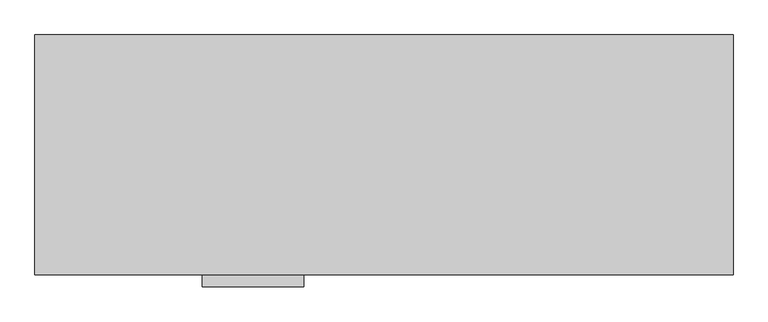
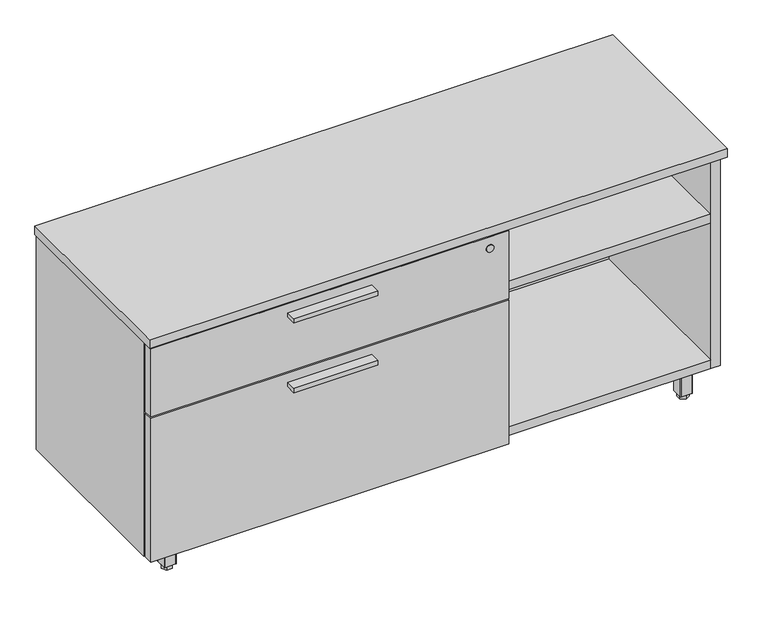
"""IFC4 building model written with IfcOpenShell, lengths in millimetres: furniture geometry."""

import ifcopenshell
import ifcopenshell.guid

model = None  # the IFC model being written
_history = None  # IfcOwnerHistory: only IFC2X3 demands one
_inside = {}  # id of a spatial element -> (the spatial element, [elements in it])
_under = {}  # id of a project, library or spatial element -> (it, [spatial elements below it])
_declared = {}  # id of a project -> (the project, [libraries it declares])
_typed = {}  # id of a type object -> (the type object, [elements of that type])
_made_of = {}  # id of a material, layer set ... -> (it, [elements and type objects made of it])


def new_model(schema):
    """Start an empty IFC model of exactly this schema.

    Asked for "IFC4X3", IfcOpenShell would pick the latest addendum, in which some entities
    have other attributes; the version numbers below select the first issue.
    IFC2X3 requires an IfcOwnerHistory on every rooted entity: one is made here for all.
    """
    global model, _history
    if schema == "IFC4X3":
        model = ifcopenshell.file(schema_version=(4, 3, 0, 0))
    else:
        model = ifcopenshell.file(schema=schema)
    _inside.clear()
    _under.clear()
    _declared.clear()
    _typed.clear()
    _made_of.clear()
    _history = None
    if model.schema == "IFC2X3":
        org = make("IfcOrganization", Name="unknown")
        user = make(
            "IfcPersonAndOrganization",
            ThePerson=make("IfcPerson", FamilyName="unknown"),
            TheOrganization=org,
        )
        app = make(
            "IfcApplication",
            ApplicationDeveloper=org,
            Version="unknown",
            ApplicationFullName="unknown",
            ApplicationIdentifier="unknown",
        )
        _history = make(
            "IfcOwnerHistory",
            OwningUser=user,
            OwningApplication=app,
            ChangeAction="ADDED",
            CreationDate=0,
        )
    return model


def make(cls, **values):
    """One entity of the class cls with the attributes given. An attribute that is None is left unset."""
    return model.create_entity(
        cls, **{name: value for name, value in values.items() if value is not None}
    )


def rooted(cls, **values):
    """An entity with a GlobalId (a new one), such as an element, a storey or a relation."""
    return make(cls, GlobalId=ifcopenshell.guid.new(), OwnerHistory=_history, **values)


def si_unit(unit_type, name, prefix=None):
    """IfcSIUnit, for example si_unit("LENGTHUNIT", "METRE", prefix="MILLI")."""
    return make("IfcSIUnit", UnitType=unit_type, Prefix=prefix, Name=name)


def assignment(units):
    """IfcUnitAssignment: the units of a project."""
    return None if units is None else make("IfcUnitAssignment", Units=units)


def point(xyz):
    """IfcCartesianPoint."""
    return None if xyz is None else make("IfcCartesianPoint", Coordinates=xyz)


def direction(xyz):
    """IfcDirection."""
    return None if xyz is None else make("IfcDirection", DirectionRatios=xyz)


def frame(location, z_axis=None, x_axis=None):
    """IfcAxis2Placement3D, a coordinate frame: its origin and axes. An axis left out is left unset."""
    return make(
        "IfcAxis2Placement3D",
        Location=point(location),
        Axis=direction(z_axis),
        RefDirection=direction(x_axis),
    )


def frame_2d(location, x_axis=None):
    """IfcAxis2Placement2D, a coordinate frame in the plane: its origin and x axis."""
    return make(
        "IfcAxis2Placement2D", Location=point(location), RefDirection=direction(x_axis)
    )


def origin():
    """The frame at (0, 0, 0) with its axes left unset."""
    return frame((0.0, 0.0, 0.0))


def origin_with_axes():
    """The frame at (0, 0, 0) with the z axis (0, 0, 1) and the x axis (1, 0, 0) written out."""
    return frame((0.0, 0.0, 0.0), z_axis=(0.0, 0.0, 1.0), x_axis=(1.0, 0.0, 0.0))


def place(relative_to, where):
    """IfcLocalPlacement: puts the frame where relative to a parent placement (None: the world)."""
    return make(
        "IfcLocalPlacement", PlacementRelTo=relative_to, RelativePlacement=where
    )


def context(
    kind, dimensions, precision=None, world=None, true_north=None, identifier=None
):
    """IfcGeometricRepresentationContext, for example the 3D "Model" context."""
    return make(
        "IfcGeometricRepresentationContext",
        ContextIdentifier=identifier,
        ContextType=kind,
        CoordinateSpaceDimension=dimensions,
        Precision=precision,
        WorldCoordinateSystem=world,
        TrueNorth=true_north,
    )


def project(units=None, contexts=None):
    """IfcProject with its units and contexts."""
    return rooted(
        "IfcProject",
        Name="project",
        RepresentationContexts=contexts,
        UnitsInContext=assignment(units),
    )


def spatial(cls, under=None, at=None, **own):
    """A site, building, storey or space (cls), placed at a placement, below another one or the project."""
    s = rooted(cls, ObjectPlacement=at, **own)
    if under is not None:
        _under.setdefault(under.id(), (under, []))[1].append(s)
    return s


def polyline(points):
    """IfcPolyline through the points."""
    return make("IfcPolyline", Points=[point(p) for p in points])


def circle_curve(where, radius):
    """IfcCircle in the frame where."""
    return make("IfcCircle", Position=where, Radius=radius)


def trimmed(basis, trim1, trim2, sense, master):
    """IfcTrimmedCurve: the piece of a basis curve between two trims."""
    return make(
        "IfcTrimmedCurve",
        BasisCurve=basis,
        Trim1=trim1,
        Trim2=trim2,
        SenseAgreement=sense,
        MasterRepresentation=master,
    )


def segment(curve, same_sense, transition):
    """IfcCompositeCurveSegment."""
    return make(
        "IfcCompositeCurveSegment",
        Transition=transition,
        SameSense=same_sense,
        ParentCurve=curve,
    )


def composite_curve(segments, self_intersect=None):
    """IfcCompositeCurve: segments joined end to end."""
    return make("IfcCompositeCurve", Segments=segments, SelfIntersect=self_intersect)


def outline(outer, holes=None, kind="AREA"):
    """IfcArbitraryClosedProfileDef: a profile drawn as a closed curve; with holes, ...WithVoids."""
    if holes is None:
        return make("IfcArbitraryClosedProfileDef", ProfileType=kind, OuterCurve=outer)
    return make(
        "IfcArbitraryProfileDefWithVoids",
        ProfileType=kind,
        OuterCurve=outer,
        InnerCurves=holes,
    )


def extrude(swept, where, along, depth):
    """IfcExtrudedAreaSolid: the profile swept, set in the frame where, extruded along a direction by depth."""
    return make(
        "IfcExtrudedAreaSolid",
        SweptArea=swept,
        Position=where,
        ExtrudedDirection=direction(along),
        Depth=depth,
    )


def shape(context_of_items, identifier, shape_type, items):
    """IfcShapeRepresentation: the items that make up one representation, for example the "Body"."""
    return make(
        "IfcShapeRepresentation",
        ContextOfItems=context_of_items,
        RepresentationIdentifier=identifier,
        RepresentationType=shape_type,
        Items=items,
    )


def source(mapping_origin, context_of_items, identifier, shape_type, items):
    """IfcRepresentationMap: a shape defined once, which mapped items show again and again."""
    return make(
        "IfcRepresentationMap",
        MappingOrigin=mapping_origin,
        MappedRepresentation=shape(context_of_items, identifier, shape_type, items),
    )


def transform(
    local_origin,
    x_axis=None,
    y_axis=None,
    z_axis=None,
    scale=None,
    scale2=None,
    scale3=None,
    uniform=True,
):
    """IfcCartesianTransformationOperator3D, or its non-uniform kind. x_axis, y_axis, z_axis: its Axis1, 2, 3."""
    if uniform:
        return make(
            "IfcCartesianTransformationOperator3D",
            Axis1=direction(x_axis),
            Axis2=direction(y_axis),
            LocalOrigin=point(local_origin),
            Scale=scale,
            Axis3=direction(z_axis),
        )
    return make(
        "IfcCartesianTransformationOperator3DnonUniform",
        Axis1=direction(x_axis),
        Axis2=direction(y_axis),
        LocalOrigin=point(local_origin),
        Scale=scale,
        Axis3=direction(z_axis),
        Scale2=scale2,
        Scale3=scale3,
    )


def mapped(mapping_source, mapping_target):
    """IfcMappedItem: shows the shape of a source again, moved by a transform."""
    return make(
        "IfcMappedItem", MappingSource=mapping_source, MappingTarget=mapping_target
    )


def made_of(thing, what):
    """Note that an element or type object is made of a material, layer set ...; save() writes the relation."""
    if what is not None:
        _made_of.setdefault(what.id(), (what, []))[1].append(thing)
    return thing


def element(
    cls,
    number,
    at=None,
    inside=None,
    cuts=None,
    type_object=None,
    material=None,
    context=None,
    identifier="Body",
    shape_type=None,
    held_by="IfcProductDefinitionShape",
    body=None,
    shapes=None,
    **own,
):
    """One element of the class cls, such as IfcWall. Its Tag is "e" and its number.

    at: its placement. inside: the storey or other place that contains it. cuts: it is an
    opening in that element (IfcRelVoidsElement). A single representation is given by context,
    identifier, shape_type and body (its items); several are given by shapes. held_by: the class
    of the entity that holds the representations. save() writes the other relations.
    """
    e = rooted(cls, Tag="e%d" % number, ObjectPlacement=at, **own)
    if body is not None:
        shapes = [shape(context, identifier, shape_type, body)]
    if shapes is not None:
        e.Representation = make(held_by, Representations=shapes)
    if inside is not None:
        _inside.setdefault(inside.id(), (inside, []))[1].append(e)
    if cuts is not None:
        rooted(
            "IfcRelVoidsElement", RelatingBuildingElement=cuts, RelatedOpeningElement=e
        )
    if type_object is not None:
        _typed.setdefault(type_object.id(), (type_object, []))[1].append(e)
    return made_of(e, material)


def aggregate(whole, parts):
    """IfcRelAggregates: a whole, such as a stair, and the parts it consists of."""
    return rooted("IfcRelAggregates", RelatingObject=whole, RelatedObjects=parts)


def save(model, path):
    """Write the relations noted so far, then the file.

    IfcRelAggregates (storeys below a building ...), IfcRelContainedInSpatialStructure (elements
    in a storey), IfcRelDefinesByType, IfcRelAssociatesMaterial and IfcRelDeclares: one each for
    every whole, place, type object, material and project.
    """
    for whole, parts in _under.values():
        aggregate(whole, parts)
    for where, things in _inside.values():
        rooted(
            "IfcRelContainedInSpatialStructure",
            RelatedElements=things,
            RelatingStructure=where,
        )
    for kind, things in _typed.values():
        rooted("IfcRelDefinesByType", RelatedObjects=things, RelatingType=kind)
    for what, things in _made_of.values():
        rooted("IfcRelAssociatesMaterial", RelatedObjects=things, RelatingMaterial=what)
    for by, libraries in _declared.values():
        rooted("IfcRelDeclares", RelatingContext=by, RelatedDefinitions=libraries)
    model.write(path)


def furniture_c7057749(model_context):
    return source(origin(), model_context, "Body", "SweptSolid", [
        extrude(outline(polyline([(469.8365, -447.8158592), (292.0365, -447.8158592), (292.0365, -425.5908592), (469.8365, -425.5908592), (469.8365, -447.8158592)])), frame((0.0, 0.0, 351.0330729), z_axis=(0.0, 0.0, 1.0), x_axis=(1.0, 0.0, 0.0)), (0.0, 0.0, 1.0), 9.525),
        extrude(outline(polyline([(469.8365, -447.8158592), (292.0365, -447.8158592), (292.0365, -425.5908592), (469.8365, -425.5908592), (469.8365, -447.8158592)])), frame((0.0, 0.0, 506.1508939), z_axis=(0.0, 0.0, 1.0), x_axis=(1.0, 0.0, 0.0)), (0.0, 0.0, 1.0), 9.525),
        extrude(outline(polyline([(70.8025, -367.813183), (76.5175, -377.7118534), (70.8025, -387.6105237), (59.3725, -387.6105237), (53.6575, -377.7118534), (59.3725, -367.813183), (70.8025, -367.813183)])), origin_with_axes(), (0.0, 0.0, 1.0), 9.144),
        extrude(outline(composite_curve([segment(trimmed(circle_curve(frame_2d((65.0875, -377.7118534)), 4.445), [point((69.5325, -377.7118534))], [point((60.6425, -377.7118534))], False, "CARTESIAN"), True, "CONTINUOUS"), segment(trimmed(circle_curve(frame_2d((65.0875, -377.7118534)), 4.445), [point((60.6425, -377.7118534))], [point((69.5325, -377.7118534))], False, "CARTESIAN"), True, "CONTINUOUS")], self_intersect=False)), frame((0.0, 0.0, 7.112), z_axis=(0.0, 0.0, 1.0), x_axis=(1.0, 0.0, 0.0)), (0.0, 0.0, 1.0), 2.032),
        extrude(outline(composite_curve([segment(trimmed(circle_curve(frame_2d((11.1125, -393.5868534)), 3.175), [point((11.1125, -396.7618534))], [point((7.9375, -393.5868534))], False, "CARTESIAN"), True, "CONTINUOUS"), segment(polyline([(7.9375, -393.5868534), (7.9375, -323.7368534)]), True, "CONTINUOUS"), segment(trimmed(circle_curve(frame_2d((11.1125, -323.7368534)), 3.175), [point((7.9375, -323.7368534))], [point((11.1125, -320.5618534))], False, "CARTESIAN"), True, "CONTINUOUS"), segment(polyline([(11.1125, -320.5618534), (80.9625, -320.5618534)]), True, "CONTINUOUS"), segment(trimmed(circle_curve(frame_2d((80.9625, -323.7368534)), 3.175), [point((80.9625, -320.5618534))], [point((84.1375, -323.7368534))], False, "CARTESIAN"), True, "CONTINUOUS"), segment(polyline([(84.1375, -323.7368534), (84.1375, -393.5868534)]), True, "CONTINUOUS"), segment(trimmed(circle_curve(frame_2d((80.9625, -393.5868534)), 3.175), [point((84.1375, -393.5868534))], [point((80.9625, -396.7618534))], False, "CARTESIAN"), True, "CONTINUOUS"), segment(polyline([(80.9625, -396.7618534), (11.1125, -396.7618534)]), True, "CONTINUOUS")], self_intersect=False)), frame((0.0, 0.0, 58.3692), z_axis=(0.0, 0.0, 1.0), x_axis=(1.0, 0.0, 0.0)), (0.0, 0.0, 1.0), 1.89738),
        extrude(outline(composite_curve([segment(polyline([(76.5175, -390.4118534), (53.6575, -390.4118534)]), True, "CONTINUOUS"), segment(trimmed(circle_curve(frame_2d((53.6575, -389.1418534)), 1.27), [point((53.6575, -390.4118534))], [point((52.3875, -389.1418534))], False, "CARTESIAN"), True, "CONTINUOUS"), segment(polyline([(52.3875, -389.1418534), (52.3875, -366.2818534)]), True, "CONTINUOUS"), segment(trimmed(circle_curve(frame_2d((53.6575, -366.2818534)), 1.27), [point((52.3875, -366.2818534))], [point((53.6575, -365.0118534))], False, "CARTESIAN"), True, "CONTINUOUS"), segment(polyline([(53.6575, -365.0118534), (76.5175, -365.0118534)]), True, "CONTINUOUS"), segment(trimmed(circle_curve(frame_2d((76.5175, -366.2818534)), 1.27), [point((76.5175, -365.0118534))], [point((77.7875, -366.2818534))], False, "CARTESIAN"), True, "CONTINUOUS"), segment(polyline([(77.7875, -366.2818534), (77.7875, -389.1418534)]), True, "CONTINUOUS"), segment(trimmed(circle_curve(frame_2d((76.5175, -389.1418534)), 1.27), [point((77.7875, -389.1418534))], [point((76.5175, -390.4118534))], False, "CARTESIAN"), True, "CONTINUOUS")], self_intersect=False)), frame((0.0, 0.0, 9.144), z_axis=(0.0, 0.0, 1.0), x_axis=(1.0, 0.0, 0.0)), (0.0, 0.0, 1.0), 49.2252),
        extrude(outline(polyline([(55.1888296, -42.0508713), (65.0875, -36.3358713), (74.9861704, -42.0508713), (74.9861704, -53.4808713), (65.0875, -59.1958713), (55.1888296, -53.4808713), (55.1888296, -42.0508713)])), origin_with_axes(), (0.0, 0.0, 1.0), 9.144),
        extrude(outline(composite_curve([segment(trimmed(circle_curve(frame_2d((65.0875, -47.7658713)), 4.445), [point((65.0875, -43.3208713))], [point((65.0875, -52.2108713))], False, "CARTESIAN"), True, "CONTINUOUS"), segment(trimmed(circle_curve(frame_2d((65.0875, -47.7658713)), 4.445), [point((65.0875, -52.2108713))], [point((65.0875, -43.3208713))], False, "CARTESIAN"), True, "CONTINUOUS")], self_intersect=False)), frame((0.0, 0.0, 7.112), z_axis=(0.0, 0.0, 1.0), x_axis=(1.0, 0.0, 0.0)), (0.0, 0.0, 1.0), 2.032),
        extrude(outline(composite_curve([segment(trimmed(circle_curve(frame_2d((80.9625, -101.7408713)), 3.175), [point((84.1375, -101.7408713))], [point((80.9625, -104.9158713))], False, "CARTESIAN"), True, "CONTINUOUS"), segment(polyline([(80.9625, -104.9158713), (11.1125, -104.9158713)]), True, "CONTINUOUS"), segment(trimmed(circle_curve(frame_2d((11.1125, -101.7408713)), 3.175), [point((11.1125, -104.9158713))], [point((7.9375, -101.7408713))], False, "CARTESIAN"), True, "CONTINUOUS"), segment(polyline([(7.9375, -101.7408713), (7.9375, -31.8908713)]), True, "CONTINUOUS"), segment(trimmed(circle_curve(frame_2d((11.1125, -31.8908713)), 3.175), [point((7.9375, -31.8908713))], [point((11.1125, -28.7158713))], False, "CARTESIAN"), True, "CONTINUOUS"), segment(polyline([(11.1125, -28.7158713), (80.9625, -28.7158713)]), True, "CONTINUOUS"), segment(trimmed(circle_curve(frame_2d((80.9625, -31.8908713)), 3.175), [point((80.9625, -28.7158713))], [point((84.1375, -31.8908713))], False, "CARTESIAN"), True, "CONTINUOUS"), segment(polyline([(84.1375, -31.8908713), (84.1375, -101.7408713)]), True, "CONTINUOUS")], self_intersect=False)), frame((0.0, 0.0, 58.3692), z_axis=(0.0, 0.0, 1.0), x_axis=(1.0, 0.0, 0.0)), (0.0, 0.0, 1.0), 1.89738),
        extrude(outline(composite_curve([segment(polyline([(77.7875, -36.3358713), (77.7875, -59.1958713)]), True, "CONTINUOUS"), segment(trimmed(circle_curve(frame_2d((76.5175, -59.1958713)), 1.27), [point((77.7875, -59.1958713))], [point((76.5175, -60.4658713))], False, "CARTESIAN"), True, "CONTINUOUS"), segment(polyline([(76.5175, -60.4658713), (53.6575, -60.4658713)]), True, "CONTINUOUS"), segment(trimmed(circle_curve(frame_2d((53.6575, -59.1958713)), 1.27), [point((53.6575, -60.4658713))], [point((52.3875, -59.1958713))], False, "CARTESIAN"), True, "CONTINUOUS"), segment(polyline([(52.3875, -59.1958713), (52.3875, -36.3358713)]), True, "CONTINUOUS"), segment(trimmed(circle_curve(frame_2d((53.6575, -36.3358713)), 1.27), [point((52.3875, -36.3358713))], [point((53.6575, -35.0658713))], False, "CARTESIAN"), True, "CONTINUOUS"), segment(polyline([(53.6575, -35.0658713), (76.5175, -35.0658713)]), True, "CONTINUOUS"), segment(trimmed(circle_curve(frame_2d((76.5175, -36.3358713)), 1.27), [point((76.5175, -35.0658713))], [point((77.7875, -36.3358713))], False, "CARTESIAN"), True, "CONTINUOUS")], self_intersect=False)), frame((0.0, 0.0, 9.144), z_axis=(0.0, 0.0, 1.0), x_axis=(1.0, 0.0, 0.0)), (0.0, 0.0, 1.0), 49.2252),
        extrude(outline(polyline([(1148.3975, -57.6645417), (1142.6825, -47.7658713), (1148.3975, -37.8672009), (1159.8275, -37.8672009), (1165.5425, -47.7658713), (1159.8275, -57.6645417), (1148.3975, -57.6645417)])), origin_with_axes(), (0.0, 0.0, 1.0), 9.144),
        extrude(outline(composite_curve([segment(trimmed(circle_curve(frame_2d((1154.1125, -47.7658713)), 4.445), [point((1149.6675, -47.7658713))], [point((1158.5575, -47.7658713))], False, "CARTESIAN"), True, "CONTINUOUS"), segment(trimmed(circle_curve(frame_2d((1154.1125, -47.7658713)), 4.445), [point((1158.5575, -47.7658713))], [point((1149.6675, -47.7658713))], False, "CARTESIAN"), True, "CONTINUOUS")], self_intersect=False)), frame((0.0, 0.0, 7.112), z_axis=(0.0, 0.0, 1.0), x_axis=(1.0, 0.0, 0.0)), (0.0, 0.0, 1.0), 2.032),
        extrude(outline(composite_curve([segment(trimmed(circle_curve(frame_2d((1208.0875, -31.8908713)), 3.175), [point((1208.0875, -28.7158713))], [point((1211.2625, -31.8908713))], False, "CARTESIAN"), True, "CONTINUOUS"), segment(polyline([(1211.2625, -31.8908713), (1211.2625, -101.7408713)]), True, "CONTINUOUS"), segment(trimmed(circle_curve(frame_2d((1208.0875, -101.7408713)), 3.175), [point((1211.2625, -101.7408713))], [point((1208.0875, -104.9158713))], False, "CARTESIAN"), True, "CONTINUOUS"), segment(polyline([(1208.0875, -104.9158713), (1138.2375, -104.9158713)]), True, "CONTINUOUS"), segment(trimmed(circle_curve(frame_2d((1138.2375, -101.7408713)), 3.175), [point((1138.2375, -104.9158713))], [point((1135.0625, -101.7408713))], False, "CARTESIAN"), True, "CONTINUOUS"), segment(polyline([(1135.0625, -101.7408713), (1135.0625, -31.8908713)]), True, "CONTINUOUS"), segment(trimmed(circle_curve(frame_2d((1138.2375, -31.8908713)), 3.175), [point((1135.0625, -31.8908713))], [point((1138.2375, -28.7158713))], False, "CARTESIAN"), True, "CONTINUOUS"), segment(polyline([(1138.2375, -28.7158713), (1208.0875, -28.7158713)]), True, "CONTINUOUS")], self_intersect=False)), frame((0.0, 0.0, 58.3692), z_axis=(0.0, 0.0, 1.0), x_axis=(1.0, 0.0, 0.0)), (0.0, 0.0, 1.0), 1.89738),
        extrude(outline(composite_curve([segment(polyline([(1142.6825, -35.0658713), (1165.5425, -35.0658713)]), True, "CONTINUOUS"), segment(trimmed(circle_curve(frame_2d((1165.5425, -36.3358713)), 1.27), [point((1165.5425, -35.0658713))], [point((1166.8125, -36.3358713))], False, "CARTESIAN"), True, "CONTINUOUS"), segment(polyline([(1166.8125, -36.3358713), (1166.8125, -59.1958713)]), True, "CONTINUOUS"), segment(trimmed(circle_curve(frame_2d((1165.5425, -59.1958713)), 1.27), [point((1166.8125, -59.1958713))], [point((1165.5425, -60.4658713))], False, "CARTESIAN"), True, "CONTINUOUS"), segment(polyline([(1165.5425, -60.4658713), (1142.6825, -60.4658713)]), True, "CONTINUOUS"), segment(trimmed(circle_curve(frame_2d((1142.6825, -59.1958713)), 1.27), [point((1142.6825, -60.4658713))], [point((1141.4125, -59.1958713))], False, "CARTESIAN"), True, "CONTINUOUS"), segment(polyline([(1141.4125, -59.1958713), (1141.4125, -36.3358713)]), True, "CONTINUOUS"), segment(trimmed(circle_curve(frame_2d((1142.6825, -36.3358713)), 1.27), [point((1141.4125, -36.3358713))], [point((1142.6825, -35.0658713))], False, "CARTESIAN"), True, "CONTINUOUS")], self_intersect=False)), frame((0.0, 0.0, 9.144), z_axis=(0.0, 0.0, 1.0), x_axis=(1.0, 0.0, 0.0)), (0.0, 0.0, 1.0), 49.2252),
        extrude(outline(polyline([(1164.0111704, -383.4268534), (1154.1125, -389.1418534), (1144.2138296, -383.4268534), (1144.2138296, -371.9968534), (1154.1125, -366.2818534), (1164.0111704, -371.9968534), (1164.0111704, -383.4268534)])), origin_with_axes(), (0.0, 0.0, 1.0), 9.144),
        extrude(outline(composite_curve([segment(trimmed(circle_curve(frame_2d((1154.1125, -377.7118534)), 4.445), [point((1154.1125, -382.1568534))], [point((1154.1125, -373.2668534))], False, "CARTESIAN"), True, "CONTINUOUS"), segment(trimmed(circle_curve(frame_2d((1154.1125, -377.7118534)), 4.445), [point((1154.1125, -373.2668534))], [point((1154.1125, -382.1568534))], False, "CARTESIAN"), True, "CONTINUOUS")], self_intersect=False)), frame((0.0, 0.0, 7.112), z_axis=(0.0, 0.0, 1.0), x_axis=(1.0, 0.0, 0.0)), (0.0, 0.0, 1.0), 2.032),
        extrude(outline(composite_curve([segment(trimmed(circle_curve(frame_2d((1138.2375, -323.7368534)), 3.175), [point((1135.0625, -323.7368534))], [point((1138.2375, -320.5618534))], False, "CARTESIAN"), True, "CONTINUOUS"), segment(polyline([(1138.2375, -320.5618534), (1208.0875, -320.5618534)]), True, "CONTINUOUS"), segment(trimmed(circle_curve(frame_2d((1208.0875, -323.7368534)), 3.175), [point((1208.0875, -320.5618534))], [point((1211.2625, -323.7368534))], False, "CARTESIAN"), True, "CONTINUOUS"), segment(polyline([(1211.2625, -323.7368534), (1211.2625, -393.5868534)]), True, "CONTINUOUS"), segment(trimmed(circle_curve(frame_2d((1208.0875, -393.5868534)), 3.175), [point((1211.2625, -393.5868534))], [point((1208.0875, -396.7618534))], False, "CARTESIAN"), True, "CONTINUOUS"), segment(polyline([(1208.0875, -396.7618534), (1138.2375, -396.7618534)]), True, "CONTINUOUS"), segment(trimmed(circle_curve(frame_2d((1138.2375, -393.5868534)), 3.175), [point((1138.2375, -396.7618534))], [point((1135.0625, -393.5868534))], False, "CARTESIAN"), True, "CONTINUOUS"), segment(polyline([(1135.0625, -393.5868534), (1135.0625, -323.7368534)]), True, "CONTINUOUS")], self_intersect=False)), frame((0.0, 0.0, 58.3692), z_axis=(0.0, 0.0, 1.0), x_axis=(1.0, 0.0, 0.0)), (0.0, 0.0, 1.0), 1.89738),
        extrude(outline(composite_curve([segment(polyline([(1141.4125, -389.1418534), (1141.4125, -366.2818534)]), True, "CONTINUOUS"), segment(trimmed(circle_curve(frame_2d((1142.6825, -366.2818534)), 1.27), [point((1141.4125, -366.2818534))], [point((1142.6825, -365.0118534))], False, "CARTESIAN"), True, "CONTINUOUS"), segment(polyline([(1142.6825, -365.0118534), (1165.5425, -365.0118534)]), True, "CONTINUOUS"), segment(trimmed(circle_curve(frame_2d((1165.5425, -366.2818534)), 1.27), [point((1165.5425, -365.0118534))], [point((1166.8125, -366.2818534))], False, "CARTESIAN"), True, "CONTINUOUS"), segment(polyline([(1166.8125, -366.2818534), (1166.8125, -389.1418534)]), True, "CONTINUOUS"), segment(trimmed(circle_curve(frame_2d((1165.5425, -389.1418534)), 1.27), [point((1166.8125, -389.1418534))], [point((1165.5425, -390.4118534))], False, "CARTESIAN"), True, "CONTINUOUS"), segment(polyline([(1165.5425, -390.4118534), (1142.6825, -390.4118534)]), True, "CONTINUOUS"), segment(trimmed(circle_curve(frame_2d((1142.6825, -389.1418534)), 1.27), [point((1142.6825, -390.4118534))], [point((1141.4125, -389.1418534))], False, "CARTESIAN"), True, "CONTINUOUS")], self_intersect=False)), frame((0.0, 0.0, 9.144), z_axis=(0.0, 0.0, 1.0), x_axis=(1.0, 0.0, 0.0)), (0.0, 0.0, 1.0), 49.2252),
        extrude(outline(polyline([(1198.3085154, -30.4938704), (1198.3085154, -402.7308447), (20.8915005, -402.7308447), (20.8915005, -30.4938704), (1198.3085154, -30.4938704)])), frame((0.0, 0.0, 520.1843787), z_axis=(0.0, 0.0, 1.0), x_axis=(1.0, 0.0, 0.0)), (0.0, 0.0, 1.0), 19.304),
        extrude(outline(polyline([(760.2855, -30.4938704), (760.2855, -401.5878548), (740.9815, -401.5878548), (740.9815, -30.4938704), (760.2855, -30.4938704)])), frame((0.0, 0.0, 79.57058), z_axis=(0.0, 0.0, 1.0), x_axis=(1.0, 0.0, 0.0)), (0.0, 0.0, 1.0), 440.6137987),
        extrude(outline(polyline([(3.175, -406.2868776), (758.698, -406.2868776), (758.698, -425.5908592), (3.175, -425.5908592), (3.175, -406.2868776)])), frame((0.0, 0.0, 384.3705787), z_axis=(0.0, 0.0, 1.0), x_axis=(1.0, 0.0, 0.0)), (0.0, 0.0, 1.0), 151.9428152),
        extrude(outline(polyline([(3.175, -406.2868776), (758.698, -406.2868776), (758.698, -425.5908592), (3.175, -425.5908592), (3.175, -406.2868776)])), frame((0.0, 0.0, 60.26658), z_axis=(0.0, 0.0, 1.0), x_axis=(1.0, 0.0, 0.0)), (0.0, 0.0, 1.0), 320.9289929),
        extrude(outline(polyline([(1198.3085, -30.4938704), (1198.3085, -400.8258374), (760.2855, -400.8258374), (760.2855, -30.4938704), (1198.3085, -30.4938704)])), frame((0.0, 0.0, 384.3705787), z_axis=(0.0, 0.0, 1.0), x_axis=(1.0, 0.0, 0.0)), (0.0, 0.0, 1.0), 19.304),
        extrude(outline(polyline([(1219.2, -8.0783713), (1219.2, -427.1783713), (0.0, -427.1783713), (0.0, -8.0783713), (1219.2, -8.0783713)])), frame((0.0, 0.0, 539.4883818), z_axis=(0.0, 0.0, 1.0), x_axis=(1.0, 0.0, 0.0)), (0.0, 0.0, 1.0), 19.0499969),
        extrude(outline(polyline([(1198.3085154, -30.4938704), (1198.3085154, -402.7308447), (20.8915005, -402.7308447), (20.8915005, -30.4938704), (1198.3085154, -30.4938704)])), frame((0.0, 0.0, 60.26658), z_axis=(0.0, 0.0, 1.0), x_axis=(1.0, 0.0, 0.0)), (0.0, 0.0, 1.0), 19.304),
        extrude(outline(polyline([(1198.3085154, -11.1898712), (1198.3085154, -30.4938704), (20.8915005, -30.4938704), (20.8915005, -11.1898712), (1198.3085154, -11.1898712)])), frame((0.0, 0.0, 60.26658), z_axis=(0.0, 0.0, 1.0), x_axis=(1.0, 0.0, 0.0)), (0.0, 0.0, 1.0), 479.2217987),
        extrude(outline(polyline([(20.8915005, -9.6658713), (20.8915005, -403.1118534), (1.5875, -403.1118534), (1.5875, -9.6658713), (20.8915005, -9.6658713)])), frame((0.0, 0.0, 60.26658), z_axis=(0.0, 0.0, 1.0), x_axis=(1.0, 0.0, 0.0)), (0.0, 0.0, 1.0), 479.2217987),
        extrude(outline(polyline([(1198.3085154, -9.6658713), (1217.6125158, -9.6658713), (1217.6125158, -403.1118534), (1198.3085154, -403.1118534), (1198.3085154, -9.6658713)])), frame((0.0, 0.0, 60.26658), z_axis=(0.0, 0.0, 1.0), x_axis=(1.0, 0.0, 0.0)), (0.0, 0.0, 1.0), 479.2217987),
        extrude(outline(composite_curve([segment(trimmed(circle_curve(frame_2d((510.9133939, 718.693)), 8.001), [point((510.9133939, 726.694))], [point((510.9133939, 710.692))], False, "CARTESIAN"), True, "CONTINUOUS"), segment(trimmed(circle_curve(frame_2d((510.9133939, 718.693)), 8.001), [point((510.9133939, 710.692))], [point((510.9133939, 726.694))], False, "CARTESIAN"), True, "CONTINUOUS")], self_intersect=False)), frame((0.0, -427.1783713, 0.0), z_axis=(0.0, 1.0, 0.0), x_axis=(0.0, 0.0, 1.0)), (0.0, 0.0, 1.0), 1.5875121),
    ])


if __name__ == "__main__":
    model = new_model("IFC4")
    model_context = context("Model", 3, world=origin())
    ifc_project = project(units=[si_unit("LENGTHUNIT", "METRE", prefix="MILLI")], contexts=[model_context])
    site = spatial("IfcSite", under=ifc_project)
    building = spatial("IfcBuilding", under=site)
    placement = place(None, origin())
    furniture_shape = furniture_c7057749(model_context)
    element("IfcFurniture", 1, at=placement, inside=building, context=model_context, shape_type="MappedRepresentation", body=[
        mapped(furniture_shape, transform((0.0, 0.0, 0.0), x_axis=(1.0, 0.0, 0.0), y_axis=(0.0, 1.0, 0.0), z_axis=(0.0, 0.0, 1.0))),
    ])
    save(model, "model.ifc")
